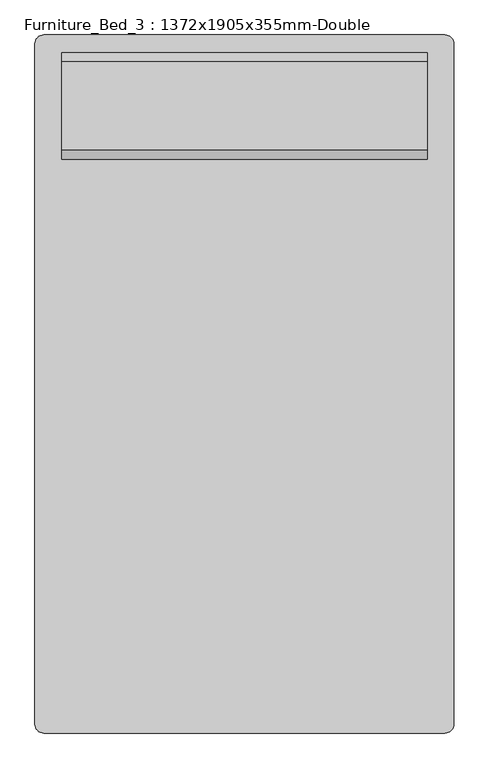
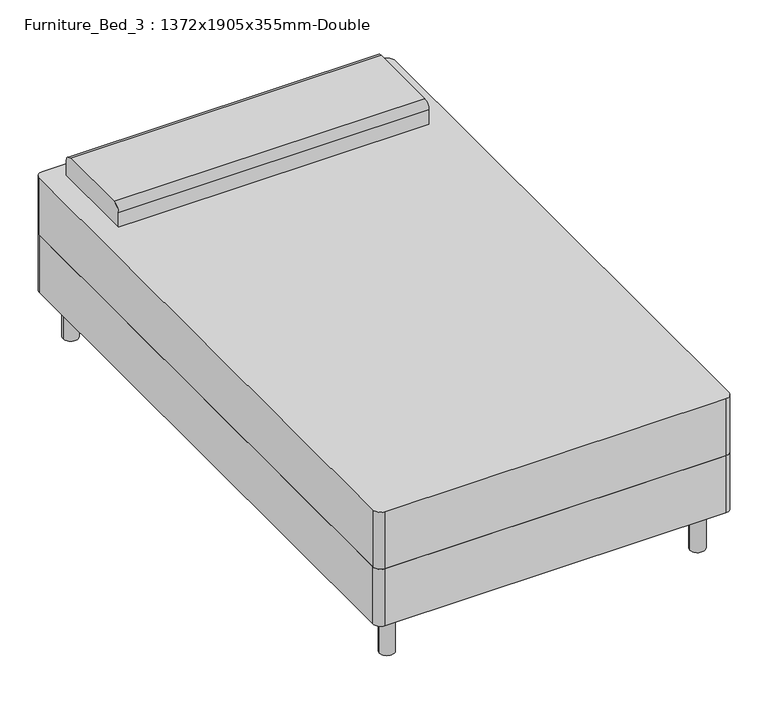
"""IFC4 building model written with IfcOpenShell, lengths in millimetres: furniture geometry, Furniture_Bed_3 : 1372x1905x355mm-Double."""

from ifc_helpers import new_model, si_unit, point, frame, frame_2d, origin, origin_with_axes, place, context, project, spatial, polyline, circle_curve, trimmed, segment, composite_curve, outline, extrude, source, transform, mapped, element, save


def furniture_bed_3_1372x1905x355mm_double_c5ca86dd(model_context):
    return source(origin(), model_context, "Body", "SweptSolid", [
        extrude(outline(composite_curve([segment(polyline([(-328.5114754, -1020.195082), (-328.5114754, 929.004918)]), True, "CONTINUOUS"), segment(trimmed(circle_curve(frame_2d((-303.1114754, 929.004918)), 25.4), [point((-328.5114754, 929.004918))], [point((-303.1114754, 954.404918))], False, "CARTESIAN"), True, "CONTINUOUS"), segment(polyline([(-303.1114754, 954.404918), (846.0885246, 954.404918)]), True, "CONTINUOUS"), segment(trimmed(circle_curve(frame_2d((846.0885246, 929.004918)), 25.4), [point((846.0885246, 954.404918))], [point((871.4885246, 929.004918))], False, "CARTESIAN"), True, "CONTINUOUS"), segment(polyline([(871.4885246, 929.004918), (871.4885246, -1020.195082)]), True, "CONTINUOUS"), segment(trimmed(circle_curve(frame_2d((846.0885246, -1020.195082)), 25.4), [point((871.4885246, -1020.195082))], [point((846.0885246, -1045.595082))], False, "CARTESIAN"), True, "CONTINUOUS"), segment(polyline([(846.0885246, -1045.595082), (-303.1114754, -1045.595082)]), True, "CONTINUOUS"), segment(trimmed(circle_curve(frame_2d((-303.1114754, -1020.195082)), 25.4), [point((-303.1114754, -1045.595082))], [point((-328.5114754, -1020.195082))], False, "CARTESIAN"), True, "CONTINUOUS")], self_intersect=False)), frame((0.0, 0.0, 152.4), z_axis=(0.0, 0.0, 1.0), x_axis=(1.0, 0.0, 0.0)), (0.0, 0.0, 1.0), 203.2),
        extrude(outline(composite_curve([segment(polyline([(598.804918, 558.8), (598.804918, 609.6)]), True, "CONTINUOUS"), segment(trimmed(circle_curve(frame_2d((624.204918, 609.6)), 25.4), [point((598.804918, 609.6))], [point((624.204918, 635.0))], False, "CARTESIAN"), True, "CONTINUOUS"), segment(polyline([(624.204918, 635.0), (878.204918, 635.0)]), True, "CONTINUOUS"), segment(trimmed(circle_curve(frame_2d((878.204918, 609.6)), 25.4), [point((878.204918, 635.0))], [point((903.604918, 609.6))], False, "CARTESIAN"), True, "CONTINUOUS"), segment(polyline([(903.604918, 609.6), (903.604918, 558.8), (598.804918, 558.8)]), True, "CONTINUOUS")], self_intersect=False)), frame((-252.3114754, 0.0, 0.0), z_axis=(1.0, 0.0, 0.0), x_axis=(0.0, 1.0, 0.0)), (0.0, 0.0, 1.0), 1047.6),
        extrude(outline(composite_curve([segment(trimmed(circle_curve(frame_2d((-252.3114754, 878.204918)), 25.4), [point((-277.7114754, 878.204918))], [point((-226.9114754, 878.204918))], False, "CARTESIAN"), True, "CONTINUOUS"), segment(trimmed(circle_curve(frame_2d((-252.3114754, 878.204918)), 25.4), [point((-226.9114754, 878.204918))], [point((-277.7114754, 878.204918))], False, "CARTESIAN"), True, "CONTINUOUS")], self_intersect=False)), origin_with_axes(), (0.0, 0.0, 1.0), 152.4),
        extrude(outline(composite_curve([segment(trimmed(circle_curve(frame_2d((795.2885246, 878.204918)), 25.4), [point((769.8885246, 878.204918))], [point((820.6885246, 878.204918))], False, "CARTESIAN"), True, "CONTINUOUS"), segment(trimmed(circle_curve(frame_2d((795.2885246, 878.204918)), 25.4), [point((820.6885246, 878.204918))], [point((769.8885246, 878.204918))], False, "CARTESIAN"), True, "CONTINUOUS")], self_intersect=False)), origin_with_axes(), (0.0, 0.0, 1.0), 152.4),
        extrude(outline(composite_curve([segment(trimmed(circle_curve(frame_2d((795.2885246, -969.395082)), 25.4), [point((769.8885246, -969.395082))], [point((820.6885246, -969.395082))], False, "CARTESIAN"), True, "CONTINUOUS"), segment(trimmed(circle_curve(frame_2d((795.2885246, -969.395082)), 25.4), [point((820.6885246, -969.395082))], [point((769.8885246, -969.395082))], False, "CARTESIAN"), True, "CONTINUOUS")], self_intersect=False)), origin_with_axes(), (0.0, 0.0, 1.0), 152.4),
        extrude(outline(composite_curve([segment(trimmed(circle_curve(frame_2d((-252.3114754, -969.395082)), 25.4), [point((-277.7114754, -969.395082))], [point((-226.9114754, -969.395082))], False, "CARTESIAN"), True, "CONTINUOUS"), segment(trimmed(circle_curve(frame_2d((-252.3114754, -969.395082)), 25.4), [point((-226.9114754, -969.395082))], [point((-277.7114754, -969.395082))], False, "CARTESIAN"), True, "CONTINUOUS")], self_intersect=False)), origin_with_axes(), (0.0, 0.0, 1.0), 152.4),
        extrude(outline(composite_curve([segment(trimmed(circle_curve(frame_2d((-303.1114754, 929.004918)), 25.4), [point((-328.5114754, 929.004918))], [point((-303.1114754, 954.404918))], False, "CARTESIAN"), True, "CONTINUOUS"), segment(polyline([(-303.1114754, 954.404918), (846.0885246, 954.404918)]), True, "CONTINUOUS"), segment(trimmed(circle_curve(frame_2d((846.0885246, 929.004918)), 25.4), [point((846.0885246, 954.404918))], [point((871.4885246, 929.004918))], False, "CARTESIAN"), True, "CONTINUOUS"), segment(polyline([(871.4885246, 929.004918), (871.4885246, -1020.195082)]), True, "CONTINUOUS"), segment(trimmed(circle_curve(frame_2d((846.0885246, -1020.195082)), 25.4), [point((871.4885246, -1020.195082))], [point((846.0885246, -1045.595082))], False, "CARTESIAN"), True, "CONTINUOUS"), segment(polyline([(846.0885246, -1045.595082), (-303.1114754, -1045.595082)]), True, "CONTINUOUS"), segment(trimmed(circle_curve(frame_2d((-303.1114754, -1020.195082)), 25.4), [point((-303.1114754, -1045.595082))], [point((-328.5114754, -1020.195082))], False, "CARTESIAN"), True, "CONTINUOUS"), segment(polyline([(-328.5114754, -1020.195082), (-328.5114754, 929.004918)]), True, "CONTINUOUS")], self_intersect=False)), frame((0.0, 0.0, 355.6), z_axis=(0.0, 0.0, 1.0), x_axis=(1.0, 0.0, 0.0)), (0.0, 0.0, 1.0), 203.2),
    ])


if __name__ == "__main__":
    model = new_model("IFC4")
    model_context = context("Model", 3, world=origin())
    ifc_project = project(units=[si_unit("LENGTHUNIT", "METRE", prefix="MILLI")], contexts=[model_context])
    site = spatial("IfcSite", under=ifc_project)
    building = spatial("IfcBuilding", under=site)
    placement = place(None, origin())
    furniture_bed_3_1372x1905x355mm_double_shape = furniture_bed_3_1372x1905x355mm_double_c5ca86dd(model_context)
    element("IfcFurniture", 1, ObjectType="Furniture_Bed_3 : 1372x1905x355mm-Double", at=placement, inside=building, context=model_context, shape_type="MappedRepresentation", body=[
        mapped(furniture_bed_3_1372x1905x355mm_double_shape, transform((0.0, 0.0, 0.0), x_axis=(1.0, 0.0, 0.0), y_axis=(0.0, 1.0, 0.0), z_axis=(0.0, 0.0, 1.0))),
    ])
    save(model, "model.ifc")
